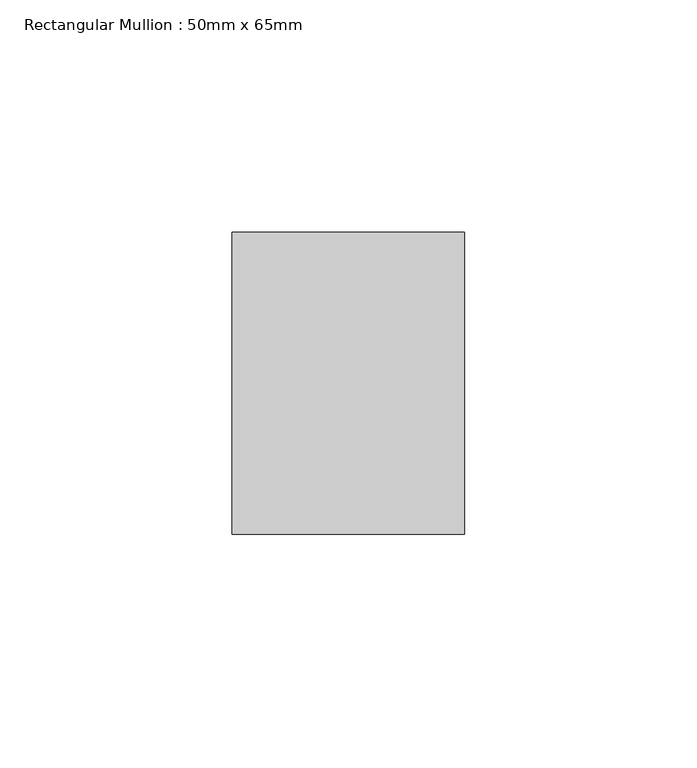
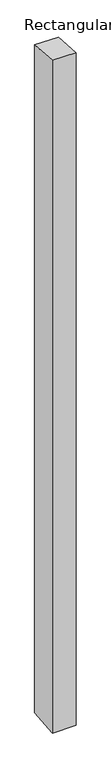
"""IFC4 building model written with IfcOpenShell, lengths in millimetres: member geometry, Rectangular Mullion : 50mm x 65mm."""

from ifc_helpers import new_model, si_unit, origin, place, context, project, spatial, faceted_brep, source, transform, mapped, element, save


def rectangular_mullion_50mm_x_65mm_68468df2(model_context):
    return source(origin(), model_context, "Body", "Brep", [
        faceted_brep([(-25.0, 32.5, -2.4319543), (25.0, 32.5, -2.4319452), (25.0, 32.5, -1497.0089664), (-25.0, 32.5, -1497.0089551), (-25.0, -32.5, 2.4319452), (-25.0, -32.5, -1502.9912684), (25.0, -32.5, 2.4319543), (25.0, -32.5, -1502.9912797)], [[[0, 1, 2, 3]], [[4, 0, 3, 5]], [[6, 4, 5, 7]], [[1, 6, 7, 2]], [[1, 0, 4, 6]], [[2, 7, 5, 3]]]),
    ])


if __name__ == "__main__":
    model = new_model("IFC4")
    model_context = context("Model", 3, world=origin())
    ifc_project = project(units=[si_unit("LENGTHUNIT", "METRE", prefix="MILLI")], contexts=[model_context])
    site = spatial("IfcSite", under=ifc_project)
    building = spatial("IfcBuilding", under=site)
    placement = place(None, origin())
    rectangular_mullion_50mm_x_65mm_shape = rectangular_mullion_50mm_x_65mm_68468df2(model_context)
    element("IfcMember", 1, ObjectType="Rectangular Mullion : 50mm x 65mm", at=placement, inside=building, context=model_context, shape_type="MappedRepresentation", body=[
        mapped(rectangular_mullion_50mm_x_65mm_shape, transform((0.0, 0.0, 0.0), x_axis=(1.0, 0.0, 0.0), y_axis=(0.0, 1.0, 0.0), z_axis=(0.0, 0.0, 1.0))),
    ])
    save(model, "model.ifc")
